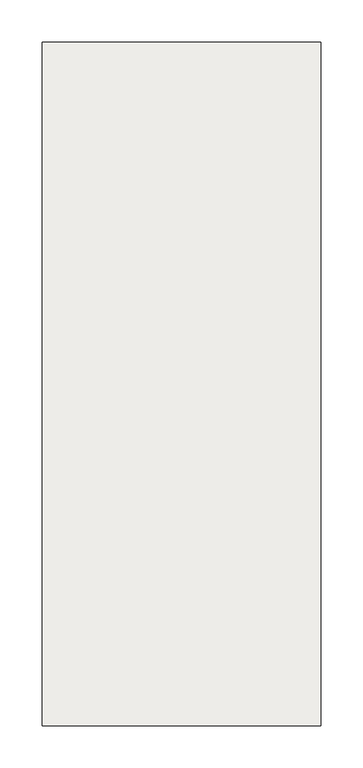
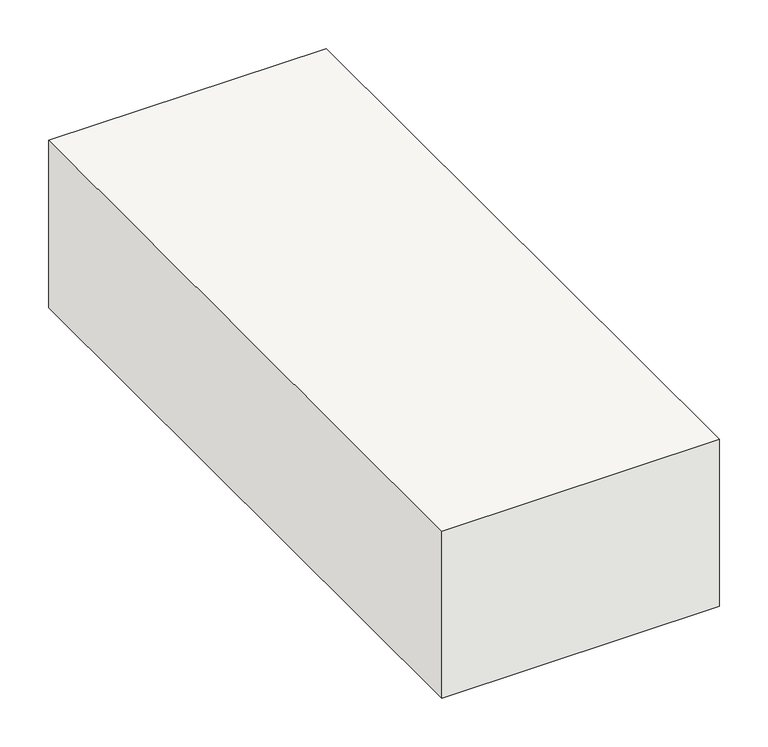
"""IFC4 building model written with IfcOpenShell, lengths in millimetres: slab geometry."""

from ifc_helpers import new_model, si_unit, frame, origin, place, context, project, spatial, polyline, outline, extrude, source, transform, mapped, element, save


def slab_283c7421(model_context):
    return source(origin(), model_context, "Body", "SweptSolid", [
        extrude(outline(polyline([(5834.1270411, 2519.2068086), (5834.1270411, 3329.2068086), (6164.1270411, 3329.2068086), (6164.1270411, 2519.2068086), (5834.1270411, 2519.2068086)])), frame((0.0, 0.0, -460.0), z_axis=(0.0, 0.0, 1.0), x_axis=(1.0, 0.0, 0.0)), (0.0, 0.0, 1.0), 210.0),
    ])


if __name__ == "__main__":
    model = new_model("IFC4")
    model_context = context("Model", 3, world=origin())
    ifc_project = project(units=[si_unit("LENGTHUNIT", "METRE", prefix="MILLI")], contexts=[model_context])
    site = spatial("IfcSite", under=ifc_project)
    building = spatial("IfcBuilding", under=site)
    placement = place(None, origin())
    slab_shape = slab_283c7421(model_context)
    element("IfcSlab", 1, at=placement, inside=building, context=model_context, shape_type="MappedRepresentation", body=[
        mapped(slab_shape, transform((0.0, 0.0, 0.0), x_axis=(1.0, 0.0, 0.0), y_axis=(0.0, 1.0, 0.0), z_axis=(0.0, 0.0, 1.0))),
    ])
    save(model, "model.ifc")
